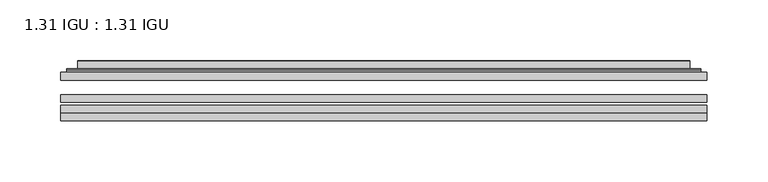
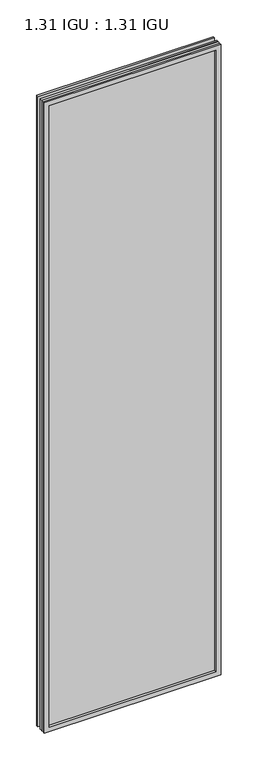
"""IFC4 building model written with IfcOpenShell, lengths in millimetres: plate geometry, 1.31 IGU : 1.31 IGU."""

from ifc_helpers import new_model, si_unit, frame, origin, place, context, project, spatial, polyline, ellipse_curve, outline, extrude, faceted_brep, source, transform, mapped, element, save
from ifc_brep_helpers import plane_surface, cylinder_surface, advanced_brep


def plate_1_31_igu_1_31_igu_54330778(model_context):
    return source(origin(), model_context, "Body", "SolidModel", [
        extrude(outline(polyline([(266.7140393, -63.2975937), (266.7140393, -69.6475938), (-266.6998644, -69.6475938), (-266.6998644, -63.2975937), (266.7140393, -63.2975937)])), frame((0.0, 0.0, -14.2875), z_axis=(0.0, 0.0, 1.0), x_axis=(1.0, 0.0, 0.0)), (0.0, 0.0, 1.0), 2009.7787982),
        extrude(outline(polyline([(-266.6998644, -78.2835938), (-266.6998644, -71.9330887), (266.7140393, -71.9330887), (266.7140393, -78.2835938), (-266.6998644, -78.2835938)])), frame((0.0, 0.0, -14.2875), z_axis=(0.0, 0.0, 1.0), x_axis=(1.0, 0.0, 0.0)), (0.0, 0.0, 1.0), 2009.7787982),
        extrude(outline(polyline([(266.7140393, -44.9587937), (266.7140393, -51.3087938), (-266.6998644, -51.3087938), (-266.6998644, -44.9587937), (266.7140393, -44.9587937)])), frame((0.0, 0.0, -14.2875), z_axis=(0.0, 0.0, 1.0), x_axis=(1.0, 0.0, 0.0)), (0.0, 0.0, 1.0), 2009.7787982),
        faceted_brep([(-266.7125644, -84.6335937, 1995.5002003), (-266.7125644, -78.2835937, 1995.5002003), (-266.7125644, -78.2835937, -14.3002), (-266.7125644, -84.6335937, -14.3002), (266.7125644, -78.2835937, -14.3002), (266.7125644, -84.6335937, -14.3002), (266.7125644, -78.2835937, 1995.5002003), (266.7125644, -84.6335937, 1995.5002003), (-251.5146202, -78.2835937, 0.8977441), (251.5146202, -78.2835937, 0.8977441), (251.5146202, -78.2835937, 1980.3022561), (-251.5146202, -78.2835937, 1980.3022561), (-252.4070545, -84.6335937, 1981.1946904), (252.4070545, -84.6335937, 1981.1946904), (252.4070545, -84.6335937, 0.0053098), (-252.4070545, -84.6335937, 0.0053098)], [[[0, 1, 2, 3]], [[3, 2, 4, 5]], [[5, 4, 6, 7]], [[1, 6, 4, 2], [8, 9, 10, 11]], [[7, 6, 1, 0]], [[3, 5, 7, 0], [12, 13, 14, 15]], [[11, 12, 15, 8]], [[8, 15, 14, 9]], [[9, 14, 13, 10]], [[10, 13, 12, 11]]]),
        advanced_brep(
        [(-259.4585834, -44.9587937, 1988.2462193), (-261.8127888, -42.9691271, 1990.6004247), (-261.8127888, -42.9691271, -9.4004244), (-259.4585834, -44.9587937, -7.046219), (-250.3842583, -41.1187568, 1979.1718942), (-245.4494264, -44.9587937, 1974.2370623), (-245.4494264, -44.9587937, 6.9629379), (-250.3842583, -41.1187568, 2.0281061), (-251.416286, -35.7215256, 1980.2039219), (-251.416286, -35.7215256, 0.9960783), (-252.4069428, -35.3225507, 1981.1945787), (-252.4069428, -35.3225507, 0.0054216), (-252.4069428, -41.7837937, 1981.1945787), (-252.4069428, -41.7837937, 0.0054216), (-260.8109992, -41.7837937, 1989.5986351), (-260.8109992, -41.7837937, -8.3986349), (261.8127888, -42.9691271, -9.4004244), (259.4585834, -44.9587937, -7.046219), (245.4494264, -44.9587937, 6.9629379), (250.3842583, -41.1187568, 2.0281061), (251.416286, -35.7215256, 0.9960783), (252.4069428, -35.3225507, 0.0054216), (252.4069428, -41.7837937, 0.0054216), (260.8109992, -41.7837937, -8.3986349), (261.8127888, -42.9691271, 1990.6004247), (259.4585834, -44.9587937, 1988.2462193), (245.4494264, -44.9587937, 1974.2370623), (250.3842583, -41.1187568, 1979.1718942), (251.416286, -35.7215256, 1980.2039219), (252.4069428, -35.3225507, 1981.1945787), (252.4069428, -41.7837937, 1981.1945787), (260.8109992, -41.7837937, 1989.5986351)],
        [
            (0, 1, ellipse_curve(frame((-259.4585834, -42.5711937, 1988.2462193), z_axis=(-0.7071067811865475, 0.0, -0.7071067811865475), x_axis=(-0.7071067811865474, 0.0, 0.7071067811865476)), 3.3765763, 2.3876)),
            (1, 2),
            (2, 3, ellipse_curve(frame((-259.4585834, -42.5711937, -7.046219), z_axis=(-0.7071067811865475, 0.0, 0.7071067811865475), x_axis=(0.7071067811865474, 0.0, 0.7071067811865476)), 3.3765763, 2.3876)),
            (3, 0),
            (4, 5),
            (5, 6),
            (6, 7),
            (7, 4),
            (8, 4),
            (7, 9),
            (9, 8),
            (10, 8, ellipse_curve(frame((-252.0399862, -35.840786, 1980.8276221), z_axis=(-0.7071067811865475, 0.0, -0.7071067811865475), x_axis=(-0.7071067811865474, 0.0, 0.7071067811865476)), 0.8980256, 0.635)),
            (9, 11, ellipse_curve(frame((-252.0399862, -35.840786, 0.3723781), z_axis=(-0.7071067811865475, 0.0, 0.7071067811865475), x_axis=(0.7071067811865474, 0.0, 0.7071067811865476)), 0.8980256, 0.635)),
            (11, 10),
            (12, 10),
            (11, 13),
            (13, 12),
            (1, 14, ellipse_curve(frame((-260.8109992, -42.7997937, 1989.5986351), z_axis=(-0.7071067811865475, 0.0, -0.7071067811865475), x_axis=(-0.7071067811865474, 0.0, 0.7071067811865476)), 1.436841, 1.016)),
            (14, 15),
            (15, 2, ellipse_curve(frame((-260.8109992, -42.7997937, -8.3986349), z_axis=(-0.7071067811865475, 0.0, 0.7071067811865475), x_axis=(0.7071067811865474, 0.0, 0.7071067811865476)), 1.436841, 1.016)),
            (2, 16),
            (16, 17, ellipse_curve(frame((259.4585834, -42.5711937, -7.046219), z_axis=(-0.7071067811865475, 0.0, -0.7071067811865475), x_axis=(-0.7071067811865476, 0.0, 0.7071067811865474)), 3.3765763, 2.3876)),
            (17, 3),
            (6, 18),
            (18, 19),
            (19, 7),
            (19, 20),
            (20, 9),
            (20, 21, ellipse_curve(frame((252.0399862, -35.840786, 0.3723781), z_axis=(-0.7071067811865475, 0.0, -0.7071067811865475), x_axis=(-0.7071067811865476, 0.0, 0.7071067811865474)), 0.8980256, 0.635)),
            (21, 11),
            (21, 22),
            (22, 13),
            (15, 23),
            (23, 16, ellipse_curve(frame((260.8109992, -42.7997937, -8.3986349), z_axis=(-0.7071067811865475, 0.0, -0.7071067811865475), x_axis=(-0.7071067811865476, 0.0, 0.7071067811865474)), 1.436841, 1.016)),
            (16, 24),
            (24, 25, ellipse_curve(frame((259.4585834, -42.5711937, 1988.2462193), z_axis=(0.7071067811865475, 0.0, -0.7071067811865475), x_axis=(-0.7071067811865474, 0.0, -0.7071067811865476)), 3.3765763, 2.3876)),
            (25, 17),
            (18, 26),
            (26, 27),
            (27, 19),
            (27, 28),
            (28, 20),
            (28, 29, ellipse_curve(frame((252.0399862, -35.840786, 1980.8276221), z_axis=(0.7071067811865475, 0.0, -0.7071067811865475), x_axis=(-0.7071067811865474, 0.0, -0.7071067811865476)), 0.8980256, 0.635)),
            (29, 21),
            (29, 30),
            (30, 22),
            (23, 31),
            (31, 24, ellipse_curve(frame((260.8109992, -42.7997937, 1989.5986351), z_axis=(0.7071067811865475, 0.0, -0.7071067811865475), x_axis=(-0.7071067811865474, 0.0, -0.7071067811865476)), 1.436841, 1.016)),
            (24, 1),
            (0, 25),
            (5, 26),
            (4, 27),
            (8, 28),
            (10, 29),
            (12, 30),
            (14, 31),
        ],
        [
            cylinder_surface(frame((-259.4585834, -42.5711937, 2012.9500003), z_axis=(0.0, 0.0, 1.0), x_axis=(-1.0, 0.0, 0.0)), 2.3876),
            plane_surface(frame((-245.4494264, -44.9587937, 1974.2370623), z_axis=(0.6141233906514794, 0.7892100234124821, 0.0), x_axis=(0.0, 0.0, -1.0))),
            plane_surface(frame((-250.3842583, -41.1187568, 1979.1718942), z_axis=(0.9822050625507729, 0.18781164793386076, 0.0), x_axis=(0.0, 0.0, -1.0))),
            cylinder_surface(frame((-252.0399862, -35.840786, 2012.9500003), z_axis=(0.0, 0.0, 1.0), x_axis=(-1.0, 0.0, 0.0)), 0.635),
            plane_surface(frame((-252.4069428, -35.3225507, 1981.1945787), z_axis=(-1.0, 0.0, 0.0), x_axis=(0.0, 0.0, -1.0))),
            cylinder_surface(frame((-260.8109992, -42.7997937, 2012.9500003), z_axis=(0.0, 0.0, 1.0), x_axis=(-1.0, 0.0, 0.0)), 1.016),
            cylinder_surface(frame((-284.1623644, -42.5711937, -7.046219), z_axis=(-1.0, 0.0, 0.0), x_axis=(0.0, 0.0, -1.0)), 2.3876),
            plane_surface(frame((-245.4494264, -44.9587937, 6.9629379), z_axis=(0.0, 0.7892100234124841, 0.6141233906514768), x_axis=(1.0, 0.0, 0.0))),
            plane_surface(frame((-250.3842583, -41.1187568, 2.0281061), z_axis=(0.0, 0.18781164793386393, 0.9822050625507723), x_axis=(1.0, 0.0, 0.0))),
            cylinder_surface(frame((-284.1623644, -35.840786, 0.3723781), z_axis=(-1.0, 0.0, 0.0), x_axis=(0.0, 0.0, -1.0)), 0.635),
            plane_surface(frame((-252.4069428, -35.3225507, 0.0054216), z_axis=(0.0, 0.0, -1.0), x_axis=(1.0, 0.0, 0.0))),
            cylinder_surface(frame((-284.1623644, -42.7997937, -8.3986349), z_axis=(-1.0, 0.0, 0.0), x_axis=(0.0, 0.0, -1.0)), 1.016),
            cylinder_surface(frame((259.4585834, -42.5711937, -31.75), z_axis=(0.0, 0.0, -1.0), x_axis=(1.0, 0.0, 0.0)), 2.3876),
            plane_surface(frame((245.4494264, -44.9587937, 6.9629379), z_axis=(-0.6141233906514743, 0.7892100234124861, 0.0), x_axis=(0.0, 0.0, 1.0))),
            plane_surface(frame((250.3842583, -41.1187568, 2.0281061), z_axis=(-0.9822050625507718, 0.1878116479338671, 0.0), x_axis=(0.0, 0.0, 1.0))),
            cylinder_surface(frame((252.0399862, -35.840786, -31.75), z_axis=(0.0, 0.0, -1.0), x_axis=(1.0, 0.0, 0.0)), 0.635),
            plane_surface(frame((252.4069428, -35.3225507, 0.0054216), z_axis=(1.0, 0.0, 0.0), x_axis=(0.0, 0.0, 1.0))),
            cylinder_surface(frame((260.8109992, -42.7997937, -31.75), z_axis=(0.0, 0.0, -1.0), x_axis=(1.0, 0.0, 0.0)), 1.016),
            cylinder_surface(frame((284.1623644, -42.5711937, 1988.2462193), z_axis=(1.0, 0.0, 0.0), x_axis=(0.0, 0.0, 1.0)), 2.3876),
            plane_surface(frame((259.4585834, -44.9587937, 1988.2462193), z_axis=(0.0, -1.0, 0.0), x_axis=(-1.0, 0.0, 0.0))),
            plane_surface(frame((245.4494264, -44.9587937, 1974.2370623), z_axis=(0.0, 0.7892100234124841, -0.6141233906514768), x_axis=(-1.0, 0.0, 0.0))),
            plane_surface(frame((250.3842583, -41.1187568, 1979.1718942), z_axis=(0.0, 0.18781164793386393, -0.9822050625507723), x_axis=(-1.0, 0.0, 0.0))),
            cylinder_surface(frame((284.1623644, -35.840786, 1980.8276221), z_axis=(1.0, 0.0, 0.0), x_axis=(0.0, 0.0, 1.0)), 0.635),
            plane_surface(frame((252.4069428, -35.3225507, 1981.1945787), z_axis=(0.0, 0.0, 1.0), x_axis=(-1.0, 0.0, 0.0))),
            plane_surface(frame((252.4069428, -41.7837937, 1981.1945787), z_axis=(0.0, 1.0, 0.0), x_axis=(-1.0, 0.0, 0.0))),
            cylinder_surface(frame((284.1623644, -42.7997937, 1989.5986351), z_axis=(1.0, 0.0, 0.0), x_axis=(0.0, 0.0, 1.0)), 1.016),
        ],
        [
            (0, [[1, 2, 3, 4]]),
            (1, [[5, 6, 7, 8]]),
            (2, [[9, -8, 10, 11]]),
            (3, [[12, -11, 13, 14]]),
            (4, [[15, -14, 16, 17]]),
            (5, [[18, 19, 20, -2]]),
            (6, [[-3, 21, 22, 23]]),
            (7, [[-7, 24, 25, 26]]),
            (8, [[-10, -26, 27, 28]]),
            (9, [[-13, -28, 29, 30]]),
            (10, [[-16, -30, 31, 32]]),
            (11, [[-20, 33, 34, -21]]),
            (12, [[-22, 35, 36, 37]]),
            (13, [[-25, 38, 39, 40]]),
            (14, [[-27, -40, 41, 42]]),
            (15, [[-29, -42, 43, 44]]),
            (16, [[-31, -44, 45, 46]]),
            (17, [[-34, 47, 48, -35]]),
            (18, [[-36, 49, -1, 50]]),
            (19, [[-23, -37, -50, -4], [51, -38, -24, -6]]),
            (20, [[-39, -51, -5, 52]]),
            (21, [[-41, -52, -9, 53]]),
            (22, [[-43, -53, -12, 54]]),
            (23, [[-45, -54, -15, 55]]),
            (24, [[56, -47, -33, -19], [-32, -46, -55, -17]]),
            (25, [[-48, -56, -18, -49]]),
        ],
    ),
    ])


if __name__ == "__main__":
    model = new_model("IFC4")
    model_context = context("Model", 3, world=origin())
    ifc_project = project(units=[si_unit("LENGTHUNIT", "METRE", prefix="MILLI")], contexts=[model_context])
    site = spatial("IfcSite", under=ifc_project)
    building = spatial("IfcBuilding", under=site)
    placement = place(None, origin())
    plate_1_31_igu_1_31_igu_shape = plate_1_31_igu_1_31_igu_54330778(model_context)
    element("IfcPlate", 1, ObjectType="1.31 IGU : 1.31 IGU", at=placement, inside=building, context=model_context, shape_type="MappedRepresentation", body=[
        mapped(plate_1_31_igu_1_31_igu_shape, transform((0.0, 0.0, 0.0), x_axis=(1.0, 0.0, 0.0), y_axis=(0.0, 1.0, 0.0), z_axis=(0.0, 0.0, 1.0))),
    ])
    save(model, "model.ifc")
